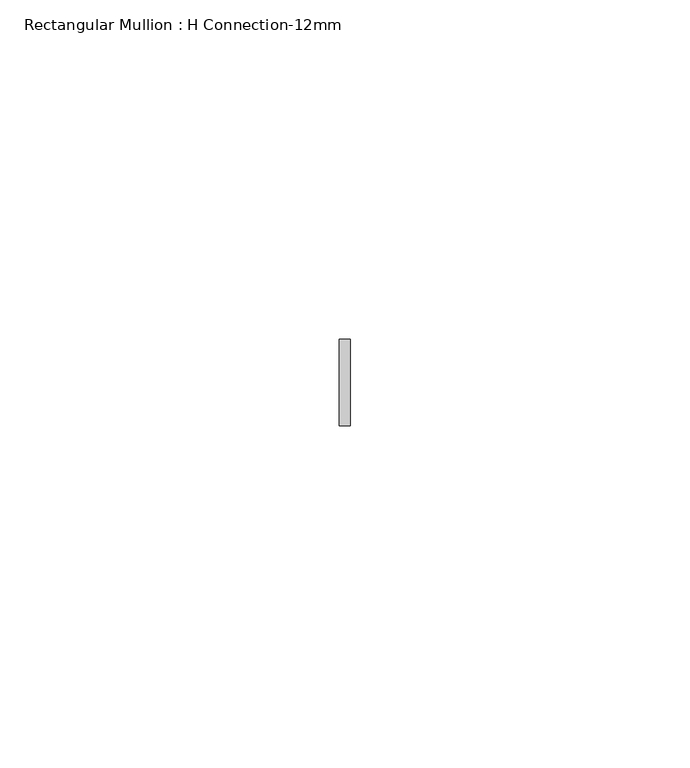
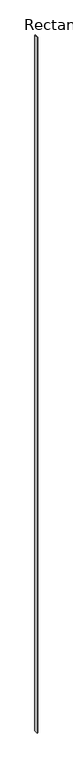
"""IFC4 building model written with IfcOpenShell, lengths in millimetres: member geometry, Rectangular Mullion : H Connection-12mm."""

from ifc_helpers import new_model, si_unit, frame, origin, place, context, project, spatial, polyline, outline, extrude, source, transform, mapped, element, save


def rectangular_mullion_h_connection_12mm_12937bcc(model_context):
    return source(origin(), model_context, "Body", "SweptSolid", [
        extrude(outline(polyline([(0.79375, 6.35), (0.79375, -6.35), (-0.79375, -6.35), (-0.79375, 6.35), (0.79375, 6.35)])), frame((0.0, 0.0, -2339.9738578), z_axis=(0.0, 0.0, 1.0), x_axis=(1.0, 0.0, 0.0)), (0.0, 0.0, 1.0), 2339.9738578),
    ])


if __name__ == "__main__":
    model = new_model("IFC4")
    model_context = context("Model", 3, world=origin())
    ifc_project = project(units=[si_unit("LENGTHUNIT", "METRE", prefix="MILLI")], contexts=[model_context])
    site = spatial("IfcSite", under=ifc_project)
    building = spatial("IfcBuilding", under=site)
    placement = place(None, origin())
    rectangular_mullion_h_connection_12mm_shape = rectangular_mullion_h_connection_12mm_12937bcc(model_context)
    element("IfcMember", 1, ObjectType="Rectangular Mullion : H Connection-12mm", at=placement, inside=building, context=model_context, shape_type="MappedRepresentation", body=[
        mapped(rectangular_mullion_h_connection_12mm_shape, transform((0.0, 0.0, 0.0), x_axis=(1.0, 0.0, 0.0), y_axis=(0.0, 1.0, 0.0), z_axis=(0.0, 0.0, 1.0))),
    ])
    save(model, "model.ifc")
